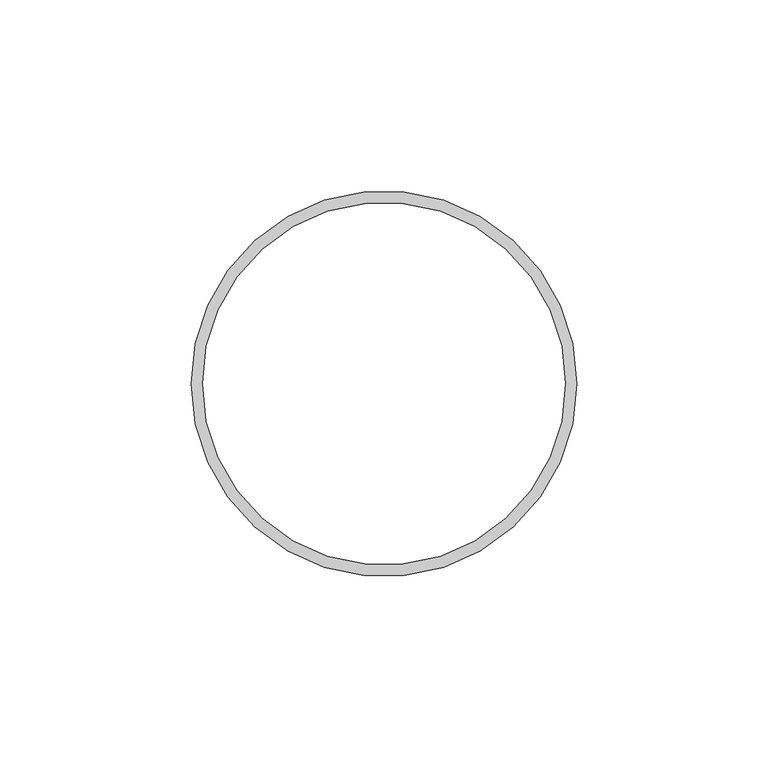
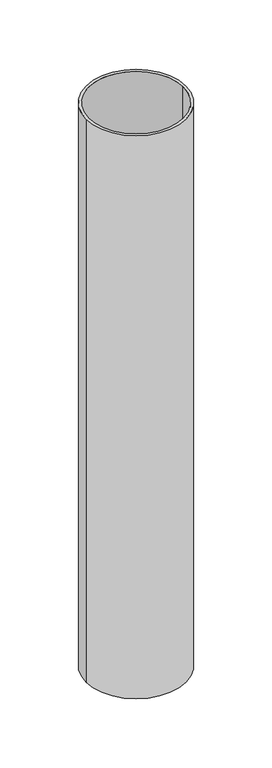
"""IFC4 building model written with IfcOpenShell, lengths in millimetres: beam geometry."""

from ifc_helpers import new_model, si_unit, point, frame, origin, origin_2d, place, context, project, spatial, circle_curve, trimmed, segment, composite_curve, outline, extrude, source, transform, mapped, element, save


def beam_ad3f5eae(model_context):
    return source(origin(), model_context, "Body", "SweptSolid", [
        extrude(outline(composite_curve([segment(trimmed(circle_curve(origin_2d(), 50.5), [point((50.5, 0.0))], [point((-50.5, 0.0))], False, "CARTESIAN"), True, "CONTINUOUS"), segment(trimmed(circle_curve(origin_2d(), 50.5), [point((-50.5, 0.0))], [point((50.5, 0.0))], False, "CARTESIAN"), True, "CONTINUOUS")], self_intersect=False), holes=[composite_curve([segment(trimmed(circle_curve(origin_2d(), 47.5), [point((47.5, 0.0))], [point((-47.5, 0.0))], True, "CARTESIAN"), True, "CONTINUOUS"), segment(trimmed(circle_curve(origin_2d(), 47.5), [point((-47.5, 0.0))], [point((47.5, 0.0))], True, "CARTESIAN"), True, "CONTINUOUS")], self_intersect=False)]), frame((0.0, 0.0, -600.0), z_axis=(0.0, 0.0, 1.0), x_axis=(1.0, 0.0, 0.0)), (0.0, 0.0, 1.0), 600.0),
    ])


if __name__ == "__main__":
    model = new_model("IFC4")
    model_context = context("Model", 3, world=origin())
    ifc_project = project(units=[si_unit("LENGTHUNIT", "METRE", prefix="MILLI")], contexts=[model_context])
    site = spatial("IfcSite", under=ifc_project)
    building = spatial("IfcBuilding", under=site)
    placement = place(None, origin())
    beam_shape = beam_ad3f5eae(model_context)
    element("IfcBeam", 1, at=placement, inside=building, context=model_context, shape_type="MappedRepresentation", body=[
        mapped(beam_shape, transform((0.0, 0.0, 0.0), x_axis=(1.0, 0.0, 0.0), y_axis=(0.0, 1.0, 0.0), z_axis=(0.0, 0.0, 1.0))),
    ])
    save(model, "model.ifc")
